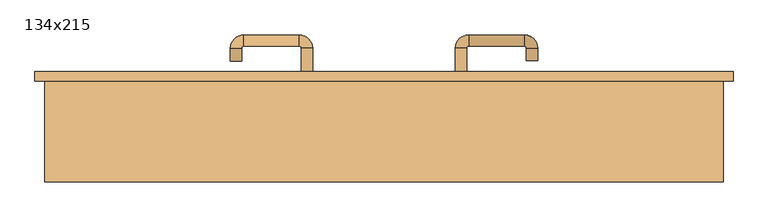
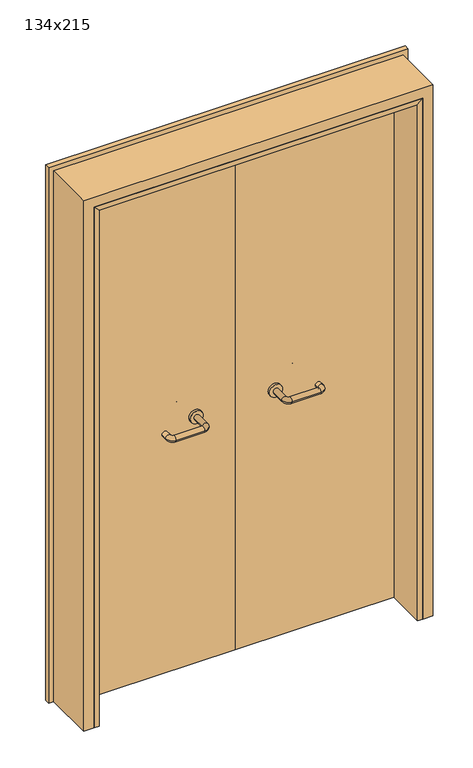
"""IFC4 building model written with IfcOpenShell, lengths in millimetres: door geometry, 134x215."""

from ifc_helpers import new_model, si_unit, point, frame, frame_2d, origin, place, context, project, spatial, polyline, circle_curve, ellipse_curve, trimmed, segment, composite_curve, outline, extrude, faceted_brep, source, transform, mapped, element, save
from ifc_brep_helpers import plane_surface, cylinder_surface, revolved_surface, advanced_brep


def door_134x215_a9cce02b(model_context):
    return source(origin(), model_context, "Body", "SolidModel", [
        faceted_brep([(-610.0, 128.0, 0.0), (-610.0, -25.0, 0.0), (-630.0, -25.0, 0.0), (-630.0, 128.0, 0.0), (-610.0, 128.0, 2090.0), (-610.0, -25.0, 2090.0), (-630.0, -25.0, 2110.0), (-630.0, 128.0, 2110.0), (610.0, 128.0, 0.0), (630.0, 128.0, 0.0), (630.0, -25.0, 0.0), (610.0, -25.0, 0.0), (610.0, 128.0, 2090.0), (630.0, 128.0, 2110.0), (630.0, -25.0, 2110.0), (610.0, -25.0, 2090.0)], [[[0, 1, 2, 3]], [[1, 0, 4, 5]], [[2, 1, 5, 6]], [[3, 2, 6, 7]], [[0, 3, 7, 4]], [[8, 9, 10, 11]], [[12, 13, 9, 8]], [[13, 14, 10, 9]], [[14, 15, 11, 10]], [[15, 12, 8, 11]], [[5, 4, 12, 15]], [[6, 5, 15, 14]], [[7, 6, 14, 13]], [[4, 7, 13, 12]]]),
        extrude(outline(polyline([(2169.0, 689.0), (2169.0, -689.0), (0.0, -689.0), (0.0, -645.0), (2125.0, -645.0), (2125.0, 645.0), (0.0, 645.0), (0.0, 689.0), (2169.0, 689.0)])), frame((0.0, 175.0, 0.0), z_axis=(0.0, 1.0, 0.0), x_axis=(0.0, 0.0, 1.0)), (0.0, 0.0, 1.0), 18.0),
        extrude(outline(polyline([(2150.0, -670.0), (0.0, -670.0), (0.0, -630.0), (2110.0, -630.0), (2110.0, 630.0), (0.0, 630.0), (0.0, 670.0), (2150.0, 670.0), (2150.0, -670.0)])), frame((0.0, -25.0, 0.0), z_axis=(0.0, 1.0, 0.0), x_axis=(0.0, 0.0, 1.0)), (0.0, 0.0, 1.0), 200.0),
        advanced_brep(
        [(140.99898, 121.0, 1003.0), (162.99898, 121.0, 1003.0), (140.99898, 65.6474631, 1003.0), (162.99898, 65.6474631, 1003.0), (166.99898, 61.6474631, 1003.0), (166.99898, 39.6474631, 1003.0), (276.99898, 39.6474631, 1003.0), (276.99898, 61.6474631, 1003.0), (280.99898, 65.6474631, 1003.0), (302.99898, 65.6474631, 1003.0), (302.99898, 83.0, 1003.0), (280.99898, 83.0, 1003.0)],
        [
            (0, 1, circle_curve(frame((151.99898, 121.0, 1003.0), z_axis=(0.0, 1.0, 0.0), x_axis=(1.0, 0.0, 0.0)), 11.0)),
            (1, 0, circle_curve(frame((151.99898, 121.0, 1003.0), z_axis=(0.0, 1.0, 0.0), x_axis=(1.0, 0.0, 0.0)), 11.0)),
            (0, 2),
            (2, 3, circle_curve(frame((151.99898, 65.6474631, 1003.0), z_axis=(0.0, 1.0, 0.0), x_axis=(1.0, 0.0, 0.0)), 11.0)),
            (3, 1),
            (3, 2, circle_curve(frame((151.99898, 65.6474631, 1003.0), z_axis=(0.0, 1.0, 0.0), x_axis=(1.0, 0.0, 0.0)), 11.0)),
            (4, 3, circle_curve(frame((166.99898, 65.6474631, 1003.0), z_axis=(0.0, 0.0, -1.0), x_axis=(-1.0, 0.0, 0.0)), 4.0)),
            (2, 5, circle_curve(frame((166.99898, 65.6474631, 1003.0), z_axis=(0.0, 0.0, 1.0), x_axis=(-1.0, 0.0, 0.0)), 26.0)),
            (5, 4, circle_curve(frame((166.99898, 50.6474631, 1003.0), z_axis=(-1.0, 0.0, 0.0), x_axis=(0.0, 1.0, 0.0)), 11.0)),
            (4, 5, circle_curve(frame((166.99898, 50.6474631, 1003.0), z_axis=(-1.0, 0.0, 0.0), x_axis=(0.0, 1.0, 0.0)), 11.0)),
            (5, 6),
            (6, 7, circle_curve(frame((276.99898, 50.6474631, 1003.0), z_axis=(-1.0, 0.0, 0.0), x_axis=(0.0, 1.0, 0.0)), 11.0)),
            (7, 4),
            (7, 6, circle_curve(frame((276.99898, 50.6474631, 1003.0), z_axis=(-1.0, 0.0, 0.0), x_axis=(0.0, 1.0, 0.0)), 11.0)),
            (8, 7, circle_curve(frame((276.99898, 65.6474631, 1003.0), z_axis=(0.0, 0.0, -1.0), x_axis=(0.0, -1.0, 0.0)), 4.0)),
            (6, 9, circle_curve(frame((276.99898, 65.6474631, 1003.0), z_axis=(0.0, 0.0, 1.0), x_axis=(0.0, -1.0, 0.0)), 26.0)),
            (9, 8, circle_curve(frame((291.99898, 65.6474631, 1003.0), z_axis=(0.0, -1.0, 0.0), x_axis=(-1.0, 0.0, 0.0)), 11.0)),
            (8, 9, circle_curve(frame((291.99898, 65.6474631, 1003.0), z_axis=(0.0, -1.0, 0.0), x_axis=(-1.0, 0.0, 0.0)), 11.0)),
            (10, 11, circle_curve(frame((291.99898, 83.0, 1003.0), z_axis=(0.0, 1.0, 0.0), x_axis=(-1.0, 0.0, 0.0)), 11.0)),
            (11, 10, circle_curve(frame((291.99898, 83.0, 1003.0), z_axis=(0.0, 1.0, 0.0), x_axis=(-1.0, 0.0, 0.0)), 11.0)),
            (9, 10),
            (11, 8),
        ],
        [
            plane_surface(frame((140.99898, 121.0, 1003.0), z_axis=(0.0, 1.0, 0.0), x_axis=(0.0, 0.0, -1.0))),
            cylinder_surface(frame((151.99898, 121.0, 1003.0), z_axis=(0.0, 1.0, 0.0), x_axis=(1.0, 0.0, 0.0)), 11.0),
            revolved_surface(trimmed(ellipse_curve(frame((151.99898, 65.6474631, 1003.0), z_axis=(0.0, 1.0, 0.0), x_axis=(1.0, 0.0, 0.0)), 11.0, 11.0), [point((140.99898, 65.6474631, 1003.0))], [point((162.99898, 65.6474631, 1003.0))], True, "CARTESIAN"), (166.99898, 65.6474631, 1003.0), (0.0, 0.0, 1.0)),
            revolved_surface(trimmed(ellipse_curve(frame((151.99898, 65.6474631, 1003.0), z_axis=(0.0, 1.0, 0.0), x_axis=(1.0, 0.0, 0.0)), 11.0, 11.0), [point((162.99898, 65.6474631, 1003.0))], [point((140.99898, 65.6474631, 1003.0))], True, "CARTESIAN"), (166.99898, 65.6474631, 1003.0), (0.0, 0.0, 1.0)),
            cylinder_surface(frame((166.99898, 50.6474631, 1003.0), z_axis=(-1.0, 0.0, 0.0), x_axis=(0.0, 1.0, 0.0)), 11.0),
            revolved_surface(trimmed(ellipse_curve(frame((276.99898, 50.6474631, 1003.0), z_axis=(-1.0, 0.0, 0.0), x_axis=(0.0, 1.0, 0.0)), 11.0, 11.0), [point((276.99898, 39.6474631, 1003.0))], [point((276.99898, 61.6474631, 1003.0))], True, "CARTESIAN"), (276.99898, 65.6474631, 1003.0), (0.0, 0.0, 1.0)),
            revolved_surface(trimmed(ellipse_curve(frame((276.99898, 50.6474631, 1003.0), z_axis=(-1.0, 0.0, 0.0), x_axis=(0.0, 1.0, 0.0)), 11.0, 11.0), [point((276.99898, 61.6474631, 1003.0))], [point((276.99898, 39.6474631, 1003.0))], True, "CARTESIAN"), (276.99898, 65.6474631, 1003.0), (0.0, 0.0, 1.0)),
            plane_surface(frame((280.99898, 83.0, 1003.0), z_axis=(0.0, 1.0, 0.0), x_axis=(0.0, 0.0, 1.0))),
            cylinder_surface(frame((291.99898, 65.6474631, 1003.0), z_axis=(0.0, -1.0, 0.0), x_axis=(-1.0, 0.0, 0.0)), 11.0),
        ],
        [
            (0, [[1, 2]]),
            (1, [[-1, 3, 4, 5]]),
            (1, [[-2, -5, 6, -3]]),
            (2, [[7, -4, 8, 9]]),
            (3, [[-8, -6, -7, 10]]),
            (4, [[-9, 11, 12, 13]]),
            (4, [[-10, -13, 14, -11]]),
            (5, [[15, -12, 16, 17]]),
            (6, [[-16, -14, -15, 18]]),
            (7, [[19, 20]]),
            (8, [[-17, 21, -20, 22]]),
            (8, [[-18, -22, -19, -21]]),
        ],
    ),
        extrude(outline(composite_curve([segment(trimmed(circle_curve(frame_2d((1003.0, 151.99898)), 25.0), [point((1003.0, 126.99898))], [point((1003.0, 176.99898))], False, "CARTESIAN"), True, "CONTINUOUS"), segment(trimmed(circle_curve(frame_2d((1003.0, 151.99898)), 25.0), [point((1003.0, 176.99898))], [point((1003.0, 126.99898))], False, "CARTESIAN"), True, "CONTINUOUS")], self_intersect=False)), frame((0.0, 121.0, 0.0), z_axis=(0.0, 1.0, 0.0), x_axis=(0.0, 0.0, 1.0)), (0.0, 0.0, 1.0), 10.0),
        advanced_brep(
        [(162.99898, 185.0, 1003.0), (140.99898, 185.0, 1003.0), (162.99898, 240.0, 1003.0), (140.99898, 240.0, 1003.0), (166.99898, 266.0, 1003.0), (166.99898, 244.0, 1003.0), (276.99898, 244.0, 1003.0), (276.99898, 266.0, 1003.0), (302.99898, 240.0, 1003.0), (280.99898, 240.0, 1003.0), (280.99898, 215.0, 1003.0), (302.99898, 215.0, 1003.0)],
        [
            (0, 1, circle_curve(frame((151.99898, 185.0, 1003.0), z_axis=(0.0, -1.0, 0.0), x_axis=(-1.0, 0.0, 0.0)), 11.0)),
            (1, 0, circle_curve(frame((151.99898, 185.0, 1003.0), z_axis=(0.0, -1.0, 0.0), x_axis=(-1.0, 0.0, 0.0)), 11.0)),
            (0, 2),
            (2, 3, circle_curve(frame((151.99898, 240.0, 1003.0), z_axis=(0.0, -1.0, 0.0), x_axis=(-1.0, 0.0, 0.0)), 11.0)),
            (3, 1),
            (3, 2, circle_curve(frame((151.99898, 240.0, 1003.0), z_axis=(0.0, -1.0, 0.0), x_axis=(-1.0, 0.0, 0.0)), 11.0)),
            (4, 3, circle_curve(frame((166.99898, 240.0, 1003.0), z_axis=(0.0, 0.0, 1.0), x_axis=(-1.0, 0.0, 0.0)), 26.0)),
            (2, 5, circle_curve(frame((166.99898, 240.0, 1003.0), z_axis=(0.0, 0.0, -1.0), x_axis=(-1.0, 0.0, 0.0)), 4.0)),
            (5, 4, circle_curve(frame((166.99898, 255.0, 1003.0), z_axis=(-1.0, 0.0, 0.0), x_axis=(0.0, 1.0, 0.0)), 11.0)),
            (4, 5, circle_curve(frame((166.99898, 255.0, 1003.0), z_axis=(-1.0, 0.0, 0.0), x_axis=(0.0, 1.0, 0.0)), 11.0)),
            (5, 6),
            (6, 7, circle_curve(frame((276.99898, 255.0, 1003.0), z_axis=(-1.0, 0.0, 0.0), x_axis=(0.0, 1.0, 0.0)), 11.0)),
            (7, 4),
            (7, 6, circle_curve(frame((276.99898, 255.0, 1003.0), z_axis=(-1.0, 0.0, 0.0), x_axis=(0.0, 1.0, 0.0)), 11.0)),
            (8, 7, circle_curve(frame((276.99898, 240.0, 1003.0), z_axis=(0.0, 0.0, 1.0), x_axis=(0.0, 1.0, 0.0)), 26.0)),
            (6, 9, circle_curve(frame((276.99898, 240.0, 1003.0), z_axis=(0.0, 0.0, -1.0), x_axis=(0.0, 1.0, 0.0)), 4.0)),
            (9, 8, circle_curve(frame((291.99898, 240.0, 1003.0), z_axis=(0.0, 1.0, 0.0), x_axis=(1.0, 0.0, 0.0)), 11.0)),
            (8, 9, circle_curve(frame((291.99898, 240.0, 1003.0), z_axis=(0.0, 1.0, 0.0), x_axis=(1.0, 0.0, 0.0)), 11.0)),
            (10, 11, circle_curve(frame((291.99898, 215.0, 1003.0), z_axis=(0.0, -1.0, 0.0), x_axis=(1.0, 0.0, 0.0)), 11.0)),
            (11, 10, circle_curve(frame((291.99898, 215.0, 1003.0), z_axis=(0.0, -1.0, 0.0), x_axis=(1.0, 0.0, 0.0)), 11.0)),
            (9, 10),
            (11, 8),
        ],
        [
            plane_surface(frame((140.99898, 185.0, 1003.0), z_axis=(0.0, -1.0, 0.0), x_axis=(0.0, 0.0, 1.0))),
            cylinder_surface(frame((151.99898, 185.0, 1003.0), z_axis=(0.0, -1.0, 0.0), x_axis=(-1.0, 0.0, 0.0)), 11.0),
            revolved_surface(trimmed(ellipse_curve(frame((151.99898, 240.0, 1003.0), z_axis=(0.0, -1.0, 0.0), x_axis=(-1.0, 0.0, 0.0)), 11.0, 11.0), [point((162.99898, 240.0, 1003.0))], [point((140.99898, 240.0, 1003.0))], True, "CARTESIAN"), (166.99898, 240.0, 1003.0), (0.0, 0.0, -1.0)),
            revolved_surface(trimmed(ellipse_curve(frame((151.99898, 240.0, 1003.0), z_axis=(0.0, -1.0, 0.0), x_axis=(-1.0, 0.0, 0.0)), 11.0, 11.0), [point((140.99898, 240.0, 1003.0))], [point((162.99898, 240.0, 1003.0))], True, "CARTESIAN"), (166.99898, 240.0, 1003.0), (0.0, 0.0, -1.0)),
            cylinder_surface(frame((166.99898, 255.0, 1003.0), z_axis=(-1.0, 0.0, 0.0), x_axis=(0.0, 1.0, 0.0)), 11.0),
            revolved_surface(trimmed(ellipse_curve(frame((276.99898, 255.0, 1003.0), z_axis=(-1.0, 0.0, 0.0), x_axis=(0.0, 1.0, 0.0)), 11.0, 11.0), [point((276.99898, 244.0, 1003.0))], [point((276.99898, 266.0, 1003.0))], True, "CARTESIAN"), (276.99898, 240.0, 1003.0), (0.0, 0.0, -1.0)),
            revolved_surface(trimmed(ellipse_curve(frame((276.99898, 255.0, 1003.0), z_axis=(-1.0, 0.0, 0.0), x_axis=(0.0, 1.0, 0.0)), 11.0, 11.0), [point((276.99898, 266.0, 1003.0))], [point((276.99898, 244.0, 1003.0))], True, "CARTESIAN"), (276.99898, 240.0, 1003.0), (0.0, 0.0, -1.0)),
            plane_surface(frame((280.99898, 215.0, 1003.0), z_axis=(0.0, -1.0, 0.0), x_axis=(0.0, 0.0, -1.0))),
            cylinder_surface(frame((291.99898, 240.0, 1003.0), z_axis=(0.0, 1.0, 0.0), x_axis=(1.0, 0.0, 0.0)), 11.0),
        ],
        [
            (0, [[1, 2]]),
            (1, [[-1, 3, 4, 5]]),
            (1, [[-2, -5, 6, -3]]),
            (2, [[7, -4, 8, 9]]),
            (3, [[-8, -6, -7, 10]]),
            (4, [[-9, 11, 12, 13]]),
            (4, [[-10, -13, 14, -11]]),
            (5, [[15, -12, 16, 17]]),
            (6, [[-16, -14, -15, 18]]),
            (7, [[19, 20]]),
            (8, [[-17, 21, -20, 22]]),
            (8, [[-18, -22, -19, -21]]),
        ],
    ),
        extrude(outline(composite_curve([segment(trimmed(circle_curve(frame_2d((1003.0, 151.99898)), 25.0), [point((1003.0, 176.99898))], [point((1003.0, 126.99898))], False, "CARTESIAN"), True, "CONTINUOUS"), segment(trimmed(circle_curve(frame_2d((1003.0, 151.99898)), 25.0), [point((1003.0, 126.99898))], [point((1003.0, 176.99898))], False, "CARTESIAN"), True, "CONTINUOUS")], self_intersect=False)), frame((0.0, 175.0, 0.0), z_axis=(0.0, 1.0, 0.0), x_axis=(0.0, 0.0, 1.0)), (0.0, 0.0, 1.0), 10.0),
        advanced_brep(
        [(-162.99898, 120.6886121, 1003.0), (-140.99898, 120.6886121, 1003.0), (-162.99898, 65.2779553, 1003.0), (-140.99898, 65.2779553, 1003.0), (-166.99898, 39.2779553, 1003.0), (-166.99898, 61.2779553, 1003.0), (-276.99898, 61.2779553, 1003.0), (-276.99898, 39.2779553, 1003.0), (-302.99898, 65.2779553, 1003.0), (-280.99898, 65.2779553, 1003.0), (-280.99898, 90.2779553, 1003.0), (-302.99898, 90.2779553, 1003.0)],
        [
            (0, 1, circle_curve(frame((-151.99898, 120.6886121, 1003.0), z_axis=(0.0, 1.0, 0.0), x_axis=(1.0, 0.0, 0.0)), 11.0)),
            (1, 0, circle_curve(frame((-151.99898, 120.6886121, 1003.0), z_axis=(0.0, 1.0, 0.0), x_axis=(1.0, 0.0, 0.0)), 11.0)),
            (0, 2),
            (2, 3, circle_curve(frame((-151.99898, 65.2779553, 1003.0), z_axis=(0.0, 1.0, 0.0), x_axis=(1.0, 0.0, 0.0)), 11.0)),
            (3, 1),
            (3, 2, circle_curve(frame((-151.99898, 65.2779553, 1003.0), z_axis=(0.0, 1.0, 0.0), x_axis=(1.0, 0.0, 0.0)), 11.0)),
            (4, 3, circle_curve(frame((-166.99898, 65.2779553, 1003.0), z_axis=(0.0, 0.0, 1.0), x_axis=(1.0, 0.0, 0.0)), 26.0)),
            (2, 5, circle_curve(frame((-166.99898, 65.2779553, 1003.0), z_axis=(0.0, 0.0, -1.0), x_axis=(1.0, 0.0, 0.0)), 4.0)),
            (5, 4, circle_curve(frame((-166.99898, 50.2779553, 1003.0), z_axis=(1.0, 0.0, 0.0), x_axis=(0.0, -1.0, 0.0)), 11.0)),
            (4, 5, circle_curve(frame((-166.99898, 50.2779553, 1003.0), z_axis=(1.0, 0.0, 0.0), x_axis=(0.0, -1.0, 0.0)), 11.0)),
            (5, 6),
            (6, 7, circle_curve(frame((-276.99898, 50.2779553, 1003.0), z_axis=(1.0, 0.0, 0.0), x_axis=(0.0, -1.0, 0.0)), 11.0)),
            (7, 4),
            (7, 6, circle_curve(frame((-276.99898, 50.2779553, 1003.0), z_axis=(1.0, 0.0, 0.0), x_axis=(0.0, -1.0, 0.0)), 11.0)),
            (8, 7, circle_curve(frame((-276.99898, 65.2779553, 1003.0), z_axis=(0.0, 0.0, 1.0), x_axis=(0.0, -1.0, 0.0)), 26.0)),
            (6, 9, circle_curve(frame((-276.99898, 65.2779553, 1003.0), z_axis=(0.0, 0.0, -1.0), x_axis=(0.0, -1.0, 0.0)), 4.0)),
            (9, 8, circle_curve(frame((-291.99898, 65.2779553, 1003.0), z_axis=(0.0, -1.0, 0.0), x_axis=(-1.0, 0.0, 0.0)), 11.0)),
            (8, 9, circle_curve(frame((-291.99898, 65.2779553, 1003.0), z_axis=(0.0, -1.0, 0.0), x_axis=(-1.0, 0.0, 0.0)), 11.0)),
            (10, 11, circle_curve(frame((-291.99898, 90.2779553, 1003.0), z_axis=(0.0, 1.0, 0.0), x_axis=(-1.0, 0.0, 0.0)), 11.0)),
            (11, 10, circle_curve(frame((-291.99898, 90.2779553, 1003.0), z_axis=(0.0, 1.0, 0.0), x_axis=(-1.0, 0.0, 0.0)), 11.0)),
            (9, 10),
            (11, 8),
        ],
        [
            plane_surface(frame((-162.99898, 120.6886121, 1003.0), z_axis=(0.0, 1.0, 0.0), x_axis=(0.0, 0.0, -1.0))),
            cylinder_surface(frame((-151.99898, 120.6886121, 1003.0), z_axis=(0.0, 1.0, 0.0), x_axis=(1.0, 0.0, 0.0)), 11.0),
            revolved_surface(trimmed(ellipse_curve(frame((-151.99898, 65.2779553, 1003.0), z_axis=(0.0, 1.0, 0.0), x_axis=(1.0, 0.0, 0.0)), 11.0, 11.0), [point((-162.99898, 65.2779553, 1003.0))], [point((-140.99898, 65.2779553, 1003.0))], True, "CARTESIAN"), (-166.99898, 65.2779553, 1003.0), (0.0, 0.0, -1.0)),
            revolved_surface(trimmed(ellipse_curve(frame((-151.99898, 65.2779553, 1003.0), z_axis=(0.0, 1.0, 0.0), x_axis=(1.0, 0.0, 0.0)), 11.0, 11.0), [point((-140.99898, 65.2779553, 1003.0))], [point((-162.99898, 65.2779553, 1003.0))], True, "CARTESIAN"), (-166.99898, 65.2779553, 1003.0), (0.0, 0.0, -1.0)),
            cylinder_surface(frame((-166.99898, 50.2779553, 1003.0), z_axis=(1.0, 0.0, 0.0), x_axis=(0.0, -1.0, 0.0)), 11.0),
            revolved_surface(trimmed(ellipse_curve(frame((-276.99898, 50.2779553, 1003.0), z_axis=(1.0, 0.0, 0.0), x_axis=(0.0, -1.0, 0.0)), 11.0, 11.0), [point((-276.99898, 61.2779553, 1003.0))], [point((-276.99898, 39.2779553, 1003.0))], True, "CARTESIAN"), (-276.99898, 65.2779553, 1003.0), (0.0, 0.0, -1.0)),
            revolved_surface(trimmed(ellipse_curve(frame((-276.99898, 50.2779553, 1003.0), z_axis=(1.0, 0.0, 0.0), x_axis=(0.0, -1.0, 0.0)), 11.0, 11.0), [point((-276.99898, 39.2779553, 1003.0))], [point((-276.99898, 61.2779553, 1003.0))], True, "CARTESIAN"), (-276.99898, 65.2779553, 1003.0), (0.0, 0.0, -1.0)),
            plane_surface(frame((-302.99898, 90.2779553, 1003.0), z_axis=(0.0, 1.0, 0.0), x_axis=(0.0, 0.0, 1.0))),
            cylinder_surface(frame((-291.99898, 65.2779553, 1003.0), z_axis=(0.0, -1.0, 0.0), x_axis=(-1.0, 0.0, 0.0)), 11.0),
        ],
        [
            (0, [[1, 2]]),
            (1, [[-1, 3, 4, 5]]),
            (1, [[-2, -5, 6, -3]]),
            (2, [[7, -4, 8, 9]]),
            (3, [[-8, -6, -7, 10]]),
            (4, [[-9, 11, 12, 13]]),
            (4, [[-10, -13, 14, -11]]),
            (5, [[15, -12, 16, 17]]),
            (6, [[-16, -14, -15, 18]]),
            (7, [[19, 20]]),
            (8, [[-17, 21, -20, 22]]),
            (8, [[-18, -22, -19, -21]]),
        ],
    ),
        extrude(outline(composite_curve([segment(trimmed(circle_curve(frame_2d((1003.0, -151.99898)), 25.0), [point((1003.0, -176.99898))], [point((1003.0, -126.99898))], False, "CARTESIAN"), True, "CONTINUOUS"), segment(trimmed(circle_curve(frame_2d((1003.0, -151.99898)), 25.0), [point((1003.0, -126.99898))], [point((1003.0, -176.99898))], False, "CARTESIAN"), True, "CONTINUOUS")], self_intersect=False)), frame((0.0, 120.6886121, 0.0), z_axis=(0.0, 1.0, 0.0), x_axis=(0.0, 0.0, 1.0)), (0.0, 0.0, 1.0), 10.3113879),
        advanced_brep(
        [(-140.99898, 184.5143417, 1003.0), (-162.99898, 184.5143417, 1003.0), (-140.99898, 239.6104656, 1003.0), (-162.99898, 239.6104656, 1003.0), (-166.99898, 243.6104656, 1003.0), (-166.99898, 265.6104656, 1003.0), (-276.99898, 265.6104656, 1003.0), (-276.99898, 243.6104656, 1003.0), (-280.99898, 239.6104656, 1003.0), (-302.99898, 239.6104656, 1003.0), (-302.99898, 214.6104656, 1003.0), (-280.99898, 214.6104656, 1003.0)],
        [
            (0, 1, circle_curve(frame((-151.99898, 184.5143417, 1003.0), z_axis=(0.0, -1.0, 0.0), x_axis=(-1.0, 0.0, 0.0)), 11.0)),
            (1, 0, circle_curve(frame((-151.99898, 184.5143417, 1003.0), z_axis=(0.0, -1.0, 0.0), x_axis=(-1.0, 0.0, 0.0)), 11.0)),
            (0, 2),
            (2, 3, circle_curve(frame((-151.99898, 239.6104656, 1003.0), z_axis=(0.0, -1.0, 0.0), x_axis=(-1.0, 0.0, 0.0)), 11.0)),
            (3, 1),
            (3, 2, circle_curve(frame((-151.99898, 239.6104656, 1003.0), z_axis=(0.0, -1.0, 0.0), x_axis=(-1.0, 0.0, 0.0)), 11.0)),
            (4, 3, circle_curve(frame((-166.99898, 239.6104656, 1003.0), z_axis=(0.0, 0.0, -1.0), x_axis=(1.0, 0.0, 0.0)), 4.0)),
            (2, 5, circle_curve(frame((-166.99898, 239.6104656, 1003.0), z_axis=(0.0, 0.0, 1.0), x_axis=(1.0, 0.0, 0.0)), 26.0)),
            (5, 4, circle_curve(frame((-166.99898, 254.6104656, 1003.0), z_axis=(1.0, 0.0, 0.0), x_axis=(0.0, -1.0, 0.0)), 11.0)),
            (4, 5, circle_curve(frame((-166.99898, 254.6104656, 1003.0), z_axis=(1.0, 0.0, 0.0), x_axis=(0.0, -1.0, 0.0)), 11.0)),
            (5, 6),
            (6, 7, circle_curve(frame((-276.99898, 254.6104656, 1003.0), z_axis=(1.0, 0.0, 0.0), x_axis=(0.0, -1.0, 0.0)), 11.0)),
            (7, 4),
            (7, 6, circle_curve(frame((-276.99898, 254.6104656, 1003.0), z_axis=(1.0, 0.0, 0.0), x_axis=(0.0, -1.0, 0.0)), 11.0)),
            (8, 7, circle_curve(frame((-276.99898, 239.6104656, 1003.0), z_axis=(0.0, 0.0, -1.0), x_axis=(0.0, 1.0, 0.0)), 4.0)),
            (6, 9, circle_curve(frame((-276.99898, 239.6104656, 1003.0), z_axis=(0.0, 0.0, 1.0), x_axis=(0.0, 1.0, 0.0)), 26.0)),
            (9, 8, circle_curve(frame((-291.99898, 239.6104656, 1003.0), z_axis=(0.0, 1.0, 0.0), x_axis=(1.0, 0.0, 0.0)), 11.0)),
            (8, 9, circle_curve(frame((-291.99898, 239.6104656, 1003.0), z_axis=(0.0, 1.0, 0.0), x_axis=(1.0, 0.0, 0.0)), 11.0)),
            (10, 11, circle_curve(frame((-291.99898, 214.6104656, 1003.0), z_axis=(0.0, -1.0, 0.0), x_axis=(1.0, 0.0, 0.0)), 11.0)),
            (11, 10, circle_curve(frame((-291.99898, 214.6104656, 1003.0), z_axis=(0.0, -1.0, 0.0), x_axis=(1.0, 0.0, 0.0)), 11.0)),
            (9, 10),
            (11, 8),
        ],
        [
            plane_surface(frame((-162.99898, 184.5143417, 1003.0), z_axis=(0.0, -1.0, 0.0), x_axis=(0.0, 0.0, 1.0))),
            cylinder_surface(frame((-151.99898, 184.5143417, 1003.0), z_axis=(0.0, -1.0, 0.0), x_axis=(-1.0, 0.0, 0.0)), 11.0),
            revolved_surface(trimmed(ellipse_curve(frame((-151.99898, 239.6104656, 1003.0), z_axis=(0.0, -1.0, 0.0), x_axis=(-1.0, 0.0, 0.0)), 11.0, 11.0), [point((-140.99898, 239.6104656, 1003.0))], [point((-162.99898, 239.6104656, 1003.0))], True, "CARTESIAN"), (-166.99898, 239.6104656, 1003.0), (0.0, 0.0, 1.0)),
            revolved_surface(trimmed(ellipse_curve(frame((-151.99898, 239.6104656, 1003.0), z_axis=(0.0, -1.0, 0.0), x_axis=(-1.0, 0.0, 0.0)), 11.0, 11.0), [point((-162.99898, 239.6104656, 1003.0))], [point((-140.99898, 239.6104656, 1003.0))], True, "CARTESIAN"), (-166.99898, 239.6104656, 1003.0), (0.0, 0.0, 1.0)),
            cylinder_surface(frame((-166.99898, 254.6104656, 1003.0), z_axis=(1.0, 0.0, 0.0), x_axis=(0.0, -1.0, 0.0)), 11.0),
            revolved_surface(trimmed(ellipse_curve(frame((-276.99898, 254.6104656, 1003.0), z_axis=(1.0, 0.0, 0.0), x_axis=(0.0, -1.0, 0.0)), 11.0, 11.0), [point((-276.99898, 265.6104656, 1003.0))], [point((-276.99898, 243.6104656, 1003.0))], True, "CARTESIAN"), (-276.99898, 239.6104656, 1003.0), (0.0, 0.0, 1.0)),
            revolved_surface(trimmed(ellipse_curve(frame((-276.99898, 254.6104656, 1003.0), z_axis=(1.0, 0.0, 0.0), x_axis=(0.0, -1.0, 0.0)), 11.0, 11.0), [point((-276.99898, 243.6104656, 1003.0))], [point((-276.99898, 265.6104656, 1003.0))], True, "CARTESIAN"), (-276.99898, 239.6104656, 1003.0), (0.0, 0.0, 1.0)),
            plane_surface(frame((-302.99898, 214.6104656, 1003.0), z_axis=(0.0, -1.0, 0.0), x_axis=(0.0, 0.0, -1.0))),
            cylinder_surface(frame((-291.99898, 239.6104656, 1003.0), z_axis=(0.0, 1.0, 0.0), x_axis=(1.0, 0.0, 0.0)), 11.0),
        ],
        [
            (0, [[1, 2]]),
            (1, [[-1, 3, 4, 5]]),
            (1, [[-2, -5, 6, -3]]),
            (2, [[7, -4, 8, 9]]),
            (3, [[-8, -6, -7, 10]]),
            (4, [[-9, 11, 12, 13]]),
            (4, [[-10, -13, 14, -11]]),
            (5, [[15, -12, 16, 17]]),
            (6, [[-16, -14, -15, 18]]),
            (7, [[19, 20]]),
            (8, [[-17, 21, -20, 22]]),
            (8, [[-18, -22, -19, -21]]),
        ],
    ),
        extrude(outline(composite_curve([segment(trimmed(circle_curve(frame_2d((1003.0, -151.99898)), 25.0), [point((1003.0, -126.99898))], [point((1003.0, -176.99898))], False, "CARTESIAN"), True, "CONTINUOUS"), segment(trimmed(circle_curve(frame_2d((1003.0, -151.99898)), 25.0), [point((1003.0, -176.99898))], [point((1003.0, -126.99898))], False, "CARTESIAN"), True, "CONTINUOUS")], self_intersect=False)), frame((0.0, 175.0, 0.0), z_axis=(0.0, 1.0, 0.0), x_axis=(0.0, 0.0, 1.0)), (0.0, 0.0, 1.0), 9.5143417),
        extrude(outline(polyline([(1.0739506, 131.0), (-627.0, 131.0), (-627.0, 175.0), (1.0739506, 175.0), (1.0739506, 131.0)])), frame((0.0, 0.0, 1.753223), z_axis=(0.0, 0.0, 1.0), x_axis=(1.0, 0.0, 0.0)), (0.0, 0.0, 1.0), 2108.246777),
        extrude(outline(polyline([(627.0, 131.0), (1.0739506, 131.0), (1.0739506, 175.0), (627.0, 175.0), (627.0, 131.0)])), frame((0.0, 0.0, 1.753223), z_axis=(0.0, 0.0, 1.0), x_axis=(1.0, 0.0, 0.0)), (0.0, 0.0, 1.0), 2108.246777),
    ])


if __name__ == "__main__":
    model = new_model("IFC4")
    model_context = context("Model", 3, world=origin())
    ifc_project = project(units=[si_unit("LENGTHUNIT", "METRE", prefix="MILLI")], contexts=[model_context])
    site = spatial("IfcSite", under=ifc_project)
    building = spatial("IfcBuilding", under=site)
    placement = place(None, origin())
    door_134x215_shape = door_134x215_a9cce02b(model_context)
    element("IfcDoor", 1, ObjectType="134x215", at=placement, inside=building, context=model_context, shape_type="MappedRepresentation", body=[
        mapped(door_134x215_shape, transform((0.0, 0.0, 0.0), x_axis=(1.0, 0.0, 0.0), y_axis=(0.0, 1.0, 0.0), z_axis=(0.0, 0.0, 1.0))),
    ])
    save(model, "model.ifc")
